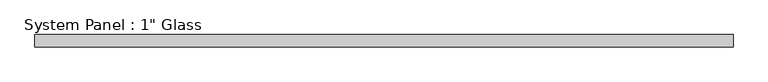
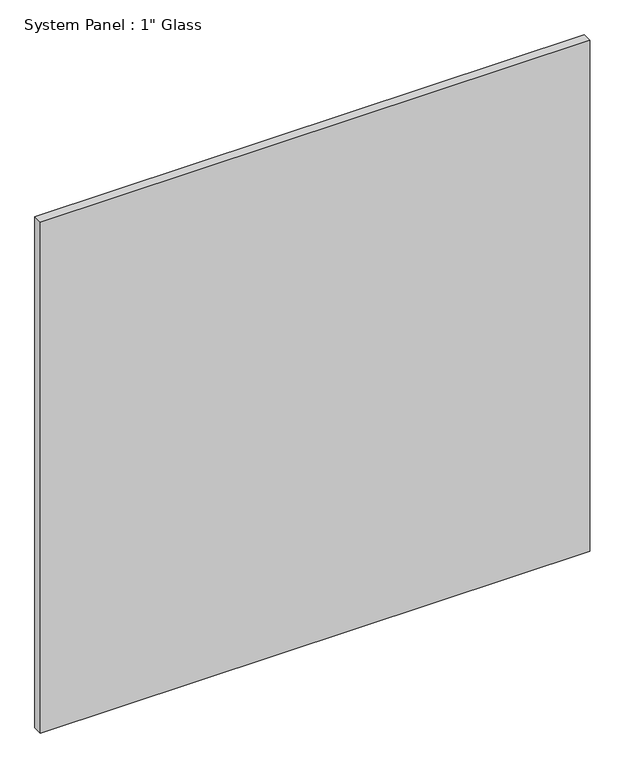
"""IFC4 building model written with IfcOpenShell, lengths in millimetres: plate geometry."""

from ifc_helpers import new_model, si_unit, origin, origin_with_axes, place, context, project, spatial, polyline, outline, extrude, source, transform, mapped, element, save


def plate_b290e65e(model_context):
    return source(origin(), model_context, "Body", "SweptSolid", [
        extrude(outline(polyline([(724.9095691, -10.31875), (-724.9095691, -10.31875), (-724.9095691, 15.08125), (724.9095691, 15.08125), (724.9095691, -10.31875)])), origin_with_axes(), (0.0, 0.0, 1.0), 1424.9417704),
    ])


if __name__ == "__main__":
    model = new_model("IFC4")
    model_context = context("Model", 3, world=origin())
    ifc_project = project(units=[si_unit("LENGTHUNIT", "METRE", prefix="MILLI")], contexts=[model_context])
    site = spatial("IfcSite", under=ifc_project)
    building = spatial("IfcBuilding", under=site)
    placement = place(None, origin())
    plate_shape = plate_b290e65e(model_context)
    element("IfcPlate", 1, ObjectType="System Panel : 1\" Glass", at=placement, inside=building, context=model_context, shape_type="MappedRepresentation", body=[
        mapped(plate_shape, transform((0.0, 0.0, 0.0), x_axis=(1.0, 0.0, 0.0), y_axis=(0.0, 1.0, 0.0), z_axis=(0.0, 0.0, 1.0))),
    ])
    save(model, "model.ifc")
